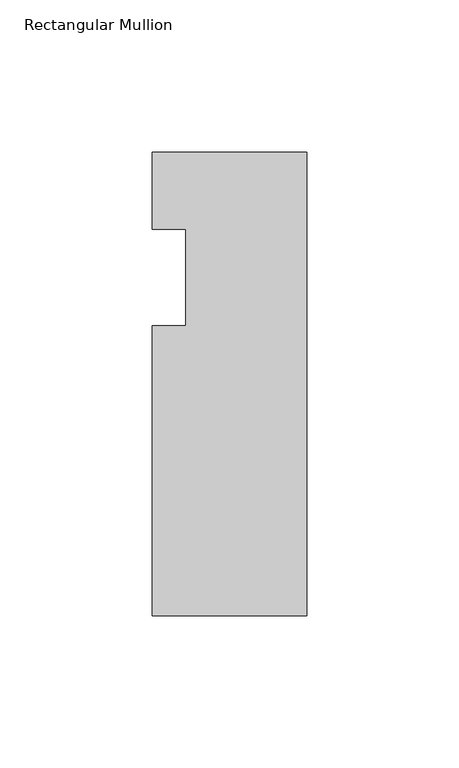
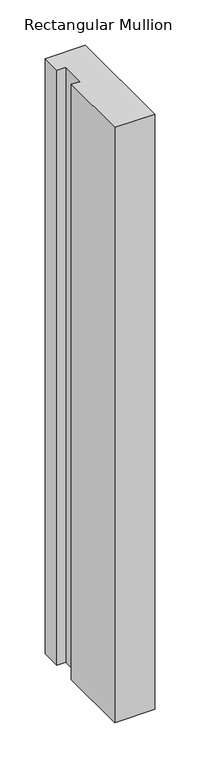
"""IFC4 building model written with IfcOpenShell, lengths in millimetres: member geometry, Rectangular Mullion."""

from ifc_helpers import new_model, si_unit, frame, origin, place, context, project, spatial, polyline, outline, extrude, source, transform, mapped, element, save


def rectangular_mullion_45d15c10(model_context):
    return source(origin(), model_context, "Body", "SweptSolid", [
        extrude(outline(polyline([(0.0, 6.35), (0.0, -146.05), (-50.8, -146.05), (-50.8, -50.8000003), (-39.798625, -50.8000003), (-39.798625, -19.05), (-50.8, -19.05), (-50.8, 6.35), (0.0, 6.35)])), frame((0.0, 0.0, -800.0398076), z_axis=(0.0, 0.0, 1.0), x_axis=(1.0, 0.0, 0.0)), (0.0, 0.0, 1.0), 800.0398076),
    ])


if __name__ == "__main__":
    model = new_model("IFC4")
    model_context = context("Model", 3, world=origin())
    ifc_project = project(units=[si_unit("LENGTHUNIT", "METRE", prefix="MILLI")], contexts=[model_context])
    site = spatial("IfcSite", under=ifc_project)
    building = spatial("IfcBuilding", under=site)
    placement = place(None, origin())
    rectangular_mullion_shape = rectangular_mullion_45d15c10(model_context)
    element("IfcMember", 1, ObjectType="Rectangular Mullion", at=placement, inside=building, context=model_context, shape_type="MappedRepresentation", body=[
        mapped(rectangular_mullion_shape, transform((0.0, 0.0, 0.0), x_axis=(1.0, 0.0, 0.0), y_axis=(0.0, 1.0, 0.0), z_axis=(0.0, 0.0, 1.0))),
    ])
    save(model, "model.ifc")
